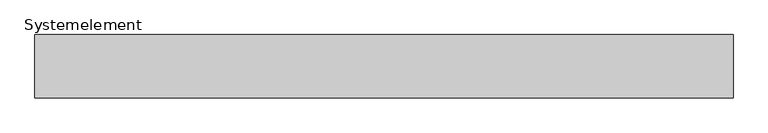
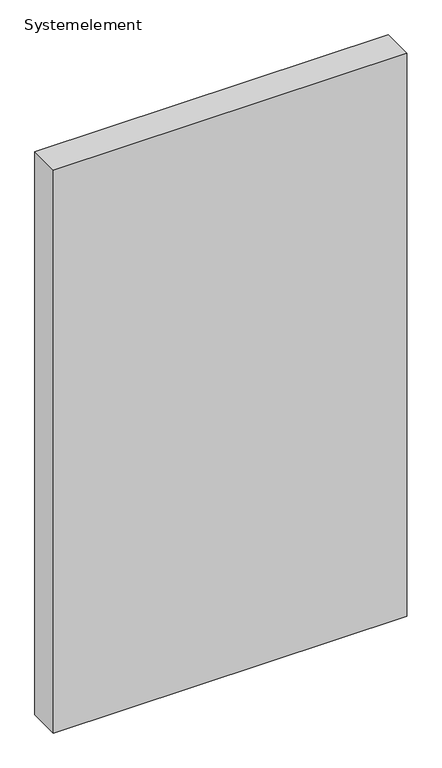
"""IFC4 building model written with IfcOpenShell, lengths in millimetres: plate geometry, Systemelement."""

from ifc_helpers import new_model, si_unit, origin, origin_with_axes, place, context, project, spatial, polyline, outline, extrude, source, transform, mapped, element, save


def systemelement_c0a1543e(model_context):
    return source(origin(), model_context, "Body", "SweptSolid", [
        extrude(outline(polyline([(550.0, -100.0), (-550.0, -100.0), (-550.0, 0.0), (550.0, 0.0), (550.0, -100.0)])), origin_with_axes(), (0.0, 0.0, 1.0), 1851.6147161),
    ])


if __name__ == "__main__":
    model = new_model("IFC4")
    model_context = context("Model", 3, world=origin())
    ifc_project = project(units=[si_unit("LENGTHUNIT", "METRE", prefix="MILLI")], contexts=[model_context])
    site = spatial("IfcSite", under=ifc_project)
    building = spatial("IfcBuilding", under=site)
    placement = place(None, origin())
    systemelement_shape = systemelement_c0a1543e(model_context)
    element("IfcPlate", 1, ObjectType="Systemelement", at=placement, inside=building, context=model_context, shape_type="MappedRepresentation", body=[
        mapped(systemelement_shape, transform((0.0, 0.0, 0.0), x_axis=(1.0, 0.0, 0.0), y_axis=(0.0, 1.0, 0.0), z_axis=(0.0, 0.0, 1.0))),
    ])
    save(model, "model.ifc")
